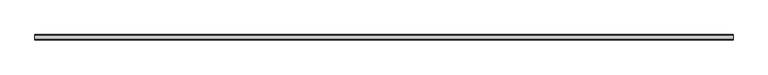
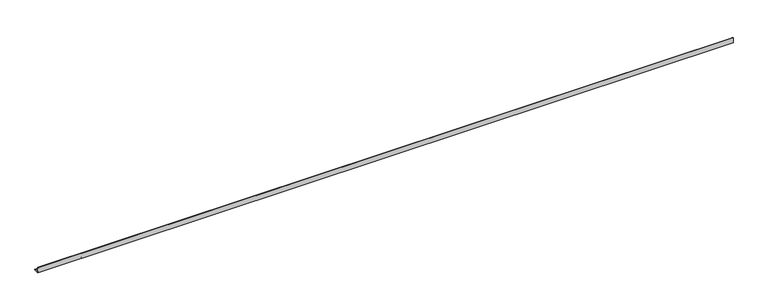
"""IFC4 building model written with IfcOpenShell, lengths in millimetres: beam geometry."""

from ifc_helpers import new_model, si_unit, point, frame, frame_2d, origin, place, context, project, spatial, polyline, circle_curve, trimmed, segment, composite_curve, outline, extrude, source, transform, mapped, element, save


def beam_a1c192ed(model_context):
    return source(origin(), model_context, "Body", "SweptSolid", [
        extrude(outline(composite_curve([segment(polyline([(-21.3, -21.3), (-21.3, 53.7), (-18.3, 53.7)]), True, "CONTINUOUS"), segment(trimmed(circle_curve(frame_2d((-18.3, 48.7)), 5.0), [point((-18.3, 53.7))], [point((-13.3, 48.7))], False, "CARTESIAN"), True, "CONTINUOUS"), segment(polyline([(-13.3, 48.7), (-13.3, -5.3)]), True, "CONTINUOUS"), segment(trimmed(circle_curve(frame_2d((-5.3, -5.3)), 8.0), [point((-13.3, -5.3))], [point((-5.3, -13.3))], True, "CARTESIAN"), True, "CONTINUOUS"), segment(polyline([(-5.3, -13.3), (48.7, -13.3)]), True, "CONTINUOUS"), segment(trimmed(circle_curve(frame_2d((48.7, -18.3)), 5.0), [point((48.7, -13.3))], [point((53.7, -18.3))], False, "CARTESIAN"), True, "CONTINUOUS"), segment(polyline([(53.7, -18.3), (53.7, -21.3), (-21.3, -21.3)]), True, "CONTINUOUS")], self_intersect=False)), frame((-4934.0, 0.0, 0.0), z_axis=(1.0, 0.0, 0.0), x_axis=(0.0, 1.0, 0.0)), (0.0, 0.0, 1.0), 9877.0),
    ])


if __name__ == "__main__":
    model = new_model("IFC4")
    model_context = context("Model", 3, world=origin())
    ifc_project = project(units=[si_unit("LENGTHUNIT", "METRE", prefix="MILLI")], contexts=[model_context])
    site = spatial("IfcSite", under=ifc_project)
    building = spatial("IfcBuilding", under=site)
    placement = place(None, origin())
    beam_shape = beam_a1c192ed(model_context)
    element("IfcBeam", 1, at=placement, inside=building, context=model_context, shape_type="MappedRepresentation", body=[
        mapped(beam_shape, transform((0.0, 0.0, 0.0), x_axis=(1.0, 0.0, 0.0), y_axis=(0.0, 1.0, 0.0), z_axis=(0.0, 0.0, 1.0))),
    ])
    save(model, "model.ifc")
